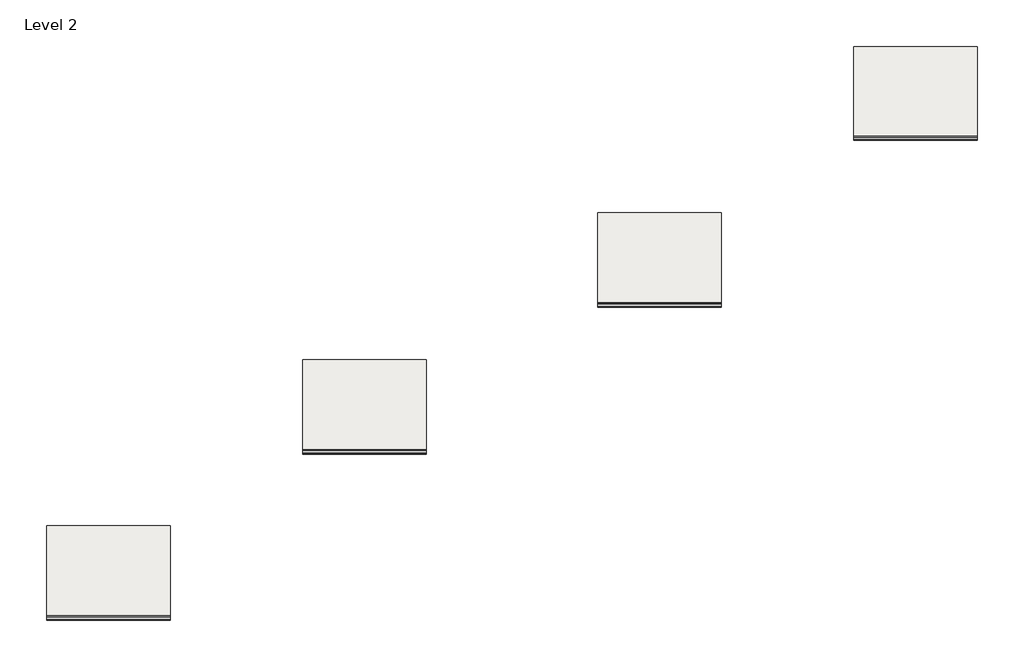
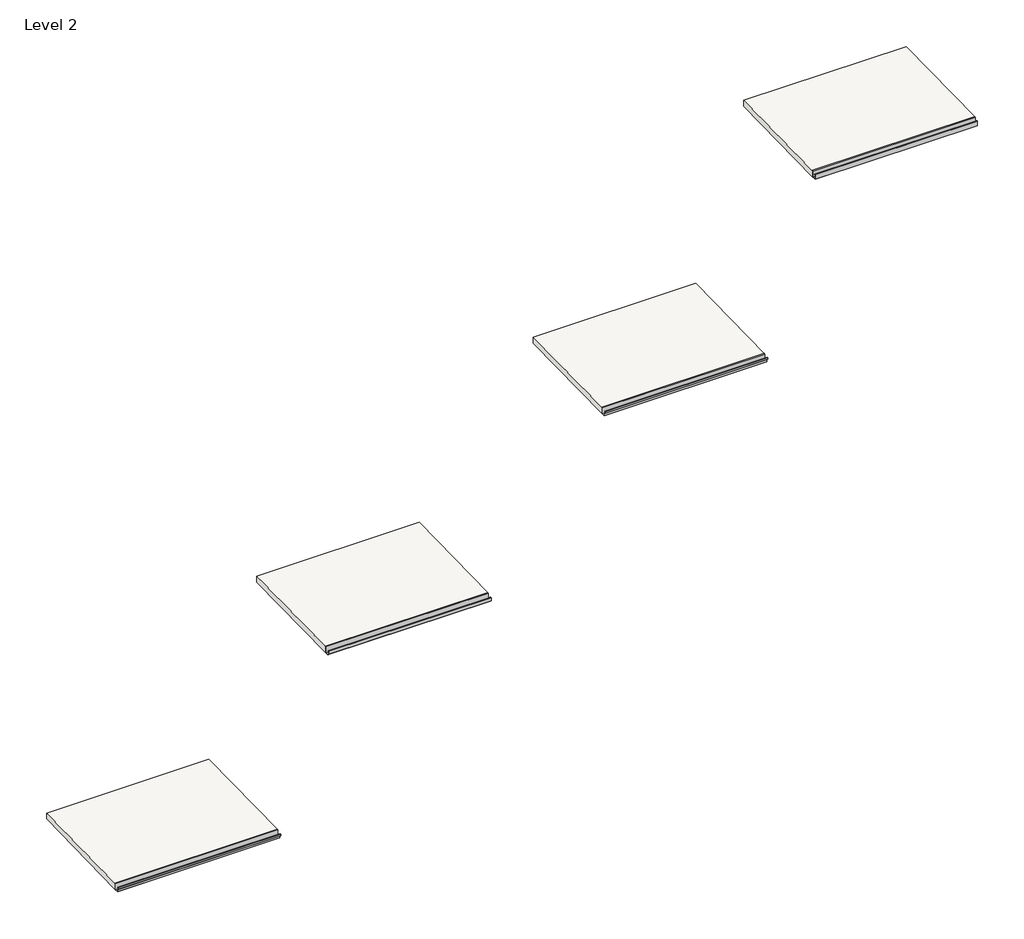
# One storey: 4 pipe segments, 4 roofs.
"""IFC4 building model written with IfcOpenShell, lengths in millimetres."""

from ifc_helpers import new_model, si_unit, frame, origin, place, context, project, spatial, polyline, outline, extrude, element, save

model = new_model("IFC4")

# Units and contexts
model_context = context("Model", 3, world=origin())
ifc_project = project(units=[si_unit("LENGTHUNIT", "METRE", prefix="MILLI")], contexts=[model_context])

# Site, building, storey
site = spatial("IfcSite", under=ifc_project)
building = spatial("IfcBuilding", under=site)
storey = spatial("IfcBuildingStorey", under=building, Name="Level 2", Elevation=3048.0)

# Pipe segments
placement = place(None, origin())
element("IfcPipeSegment", 1, at=placement, inside=storey, context=model_context, shape_type="SweptSolid", body=[
    extrude(outline(polyline([(-2992.2588343, 3204.0057194), (-2992.2588343, 3051.6057194), (-3097.0338343, 3051.6057194), (-3097.0338343, 3165.9057194), (-3071.6338343, 3165.9057194), (-3078.371968, 3159.1675856), (-3079.0735505, 3159.8691681), (-3074.0291868, 3164.9135319), (-3096.0416468, 3164.9135319), (-3096.0416468, 3052.5979069), (-2992.9825947, 3052.5979069), (-2992.9825947, 3204.7846064), (-2966.880797, 3205.3268035), (-2966.8643124, 3204.5332247), (-2992.2588343, 3204.0057194)])), frame((3260.1269012, 0.0, 0.0), z_axis=(1.0, 0.0, 0.0), x_axis=(0.0, 1.0, 0.0)), (0.0, 0.0, 1.0), 4010.025),
])
element("IfcPipeSegment", 2, ObjectType="Gutter - Metal Era - IGG1-C6 with Gutter Flange", at=placement, inside=storey, context=model_context, shape_type="SweptSolid", body=[
    extrude(outline(polyline([(-18547.1933111, 3204.0057194), (-18547.1933111, 3051.6057194), (-18642.4433111, 3051.6057194), (-18642.4433111, 3102.3319824), (-18667.8433111, 3127.5992557), (-18667.8433111, 3165.9057194), (-18642.3105844, 3165.9057194), (-18649.0487182, 3159.1675856), (-18649.7503007, 3159.8691681), (-18644.7059369, 3164.9135319), (-18666.8511236, 3164.9135319), (-18666.8511236, 3128.0102332), (-18641.4511236, 3102.7429599), (-18641.4511236, 3052.5979069), (-18548.1854986, 3052.5979069), (-18548.1854986, 3204.7790305), (-18521.8152738, 3205.3268035), (-18521.7987892, 3204.5332247), (-18547.1933111, 3204.0057194)])), frame((-22936.2360124, 0.0, 0.0), z_axis=(1.0, 0.0, 0.0), x_axis=(0.0, 1.0, 0.0)), (0.0, 0.0, 1.0), 4010.025),
])
element("IfcPipeSegment", 3, ObjectType="Gutter - Metal Era - IGG2-C6 with Gutter Flange", at=placement, inside=storey, context=model_context, shape_type="SweptSolid", body=[
    extrude(outline(polyline([(-13151.9990302, 3204.0057194), (-13151.9990302, 3051.6057194), (-13242.4865302, 3051.6057194), (-13278.9990302, 3088.0163008), (-13278.9990302, 3165.9057194), (-13261.038518, 3165.9057194), (-13265.801018, 3161.1432194), (-13266.5026005, 3161.8448019), (-13263.4338705, 3164.9135319), (-13278.0068427, 3164.9135319), (-13278.0068427, 3088.5291969), (-13242.0755527, 3052.5979069), (-13152.9912177, 3052.5979069), (-13152.9912177, 3204.7790305), (-13126.6209929, 3205.3268035), (-13126.6045084, 3204.5332247), (-13151.9990302, 3204.0057194)])), frame((-14628.3653663, 0.0, 0.0), z_axis=(1.0, 0.0, 0.0), x_axis=(0.0, 1.0, 0.0)), (0.0, 0.0, 1.0), 4010.025),
])
element("IfcPipeSegment", 4, ObjectType="Gutter - Metal Era - IGG3-C6 with Gutter Flange", at=placement, inside=storey, context=model_context, shape_type="SweptSolid", body=[
    extrude(outline(polyline([(-8387.4531151, 3204.0057194), (-8387.4531151, 3051.6057194), (-8479.5281151, 3051.6057194), (-8498.5781151, 3143.6801939), (-8514.4531151, 3143.6801939), (-8514.4531151, 3178.6057194), (-8489.0531151, 3178.6057194), (-8498.033634, 3169.6252005), (-8498.7352165, 3170.326783), (-8491.4484676, 3177.6135319), (-8513.4609276, 3177.6135319), (-8513.4609276, 3144.6723814), (-8497.733862, 3144.6723814), (-8478.683862, 3052.5979069), (-8388.4453026, 3052.5979069), (-8388.4453026, 3204.7790305), (-8362.0750778, 3205.3268035), (-8362.0585933, 3204.5332247), (-8387.4531151, 3204.0057194)])), frame((-5047.7437448, 0.0, 0.0), z_axis=(1.0, 0.0, 0.0), x_axis=(0.0, 1.0, 0.0)), (0.0, 0.0, 1.0), 4010.025),
])

# Roofs
element("IfcRoof", 5, ObjectType="Roof 1", at=placement, inside=storey, context=model_context, shape_type="SweptSolid", body=[
    extrude(outline(polyline([(-18547.1933111, 3204.0057194), (-15603.9683111, 3265.3229069), (-15603.9683111, 3109.3171875), (-18547.1933111, 3048.0), (-18547.1933111, 3204.0057194)])), frame((-22936.2360124, 0.0, 0.0), z_axis=(1.0, 0.0, 0.0), x_axis=(0.0, 1.0, 0.0)), (0.0, 0.0, 1.0), 4010.025),
])
element("IfcRoof", 6, ObjectType="Roof 1", at=placement, inside=storey, context=model_context, shape_type="SweptSolid", body=[
    extrude(outline(polyline([(-13151.9990302, 3204.0057194), (-10208.7740302, 3265.3229069), (-10208.7740302, 3109.3171875), (-13151.9990302, 3048.0), (-13151.9990302, 3204.0057194)])), frame((-14628.3653663, 0.0, 0.0), z_axis=(1.0, 0.0, 0.0), x_axis=(0.0, 1.0, 0.0)), (0.0, 0.0, 1.0), 4010.025),
])
element("IfcRoof", 7, ObjectType="Roof 1", at=placement, inside=storey, context=model_context, shape_type="SweptSolid", body=[
    extrude(outline(polyline([(-8387.4531151, 3204.0057194), (-5444.2281151, 3265.3229069), (-5444.2281151, 3109.3171875), (-8387.4531151, 3048.0), (-8387.4531151, 3204.0057194)])), frame((-5047.7437448, 0.0, 0.0), z_axis=(1.0, 0.0, 0.0), x_axis=(0.0, 1.0, 0.0)), (0.0, 0.0, 1.0), 4010.025),
])
element("IfcRoof", 8, ObjectType="Roof 1", at=placement, inside=storey, context=model_context, shape_type="SweptSolid", body=[
    extrude(outline(polyline([(-2992.2588343, 3204.0057194), (-49.0338343, 3265.3229069), (-49.0338343, 3109.3171875), (-2992.2588343, 3048.0), (-2992.2588343, 3204.0057194)])), frame((3260.1269012, 0.0, 0.0), z_axis=(1.0, 0.0, 0.0), x_axis=(0.0, 1.0, 0.0)), (0.0, 0.0, 1.0), 4010.025),
])

save(model, "model.ifc")
